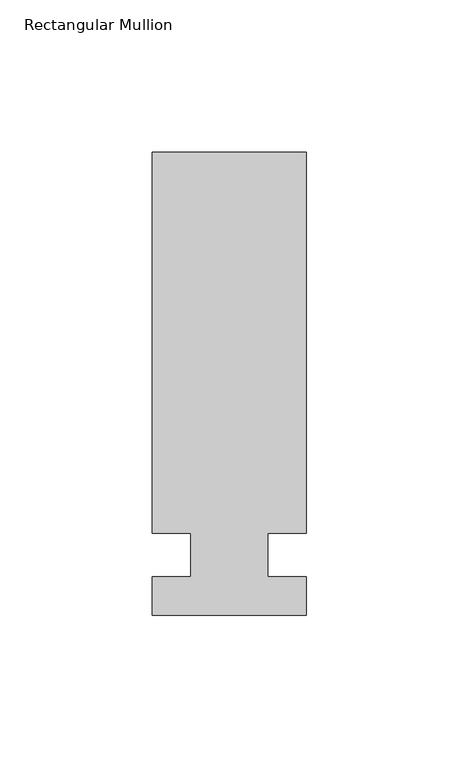
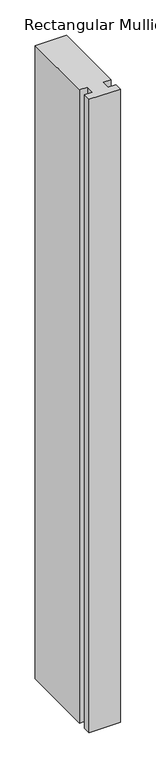
"""IFC4 building model written with IfcOpenShell, lengths in millimetres: member geometry, Rectangular Mullion."""

from ifc_helpers import new_model, si_unit, frame, origin, place, context, project, spatial, polyline, outline, extrude, source, transform, mapped, element, save


def rectangular_mullion_9d1eca79(model_context):
    return source(origin(), model_context, "Body", "SweptSolid", [
        extrude(outline(polyline([(29.7344027, 132.55625), (29.7344027, 7.14375), (17.0326322, 7.14375), (17.0326322, -7.14375), (29.7344027, -7.14375), (29.7344027, -19.84375), (-21.0655973, -19.84375), (-21.0655973, -7.14375), (-8.3655973, -7.14375), (-8.3655973, 7.14375), (-21.0655973, 7.14375), (-21.0655973, 132.55625), (29.7344027, 132.55625)])), frame((0.0, 0.0, -1091.0405973), z_axis=(0.0, 0.0, 1.0), x_axis=(1.0, 0.0, 0.0)), (0.0, 0.0, 1.0), 1091.0405973),
    ])


if __name__ == "__main__":
    model = new_model("IFC4")
    model_context = context("Model", 3, world=origin())
    ifc_project = project(units=[si_unit("LENGTHUNIT", "METRE", prefix="MILLI")], contexts=[model_context])
    site = spatial("IfcSite", under=ifc_project)
    building = spatial("IfcBuilding", under=site)
    placement = place(None, origin())
    rectangular_mullion_shape = rectangular_mullion_9d1eca79(model_context)
    element("IfcMember", 1, ObjectType="Rectangular Mullion", at=placement, inside=building, context=model_context, shape_type="MappedRepresentation", body=[
        mapped(rectangular_mullion_shape, transform((0.0, 0.0, 0.0), x_axis=(1.0, 0.0, 0.0), y_axis=(0.0, 1.0, 0.0), z_axis=(0.0, 0.0, 1.0))),
    ])
    save(model, "model.ifc")
